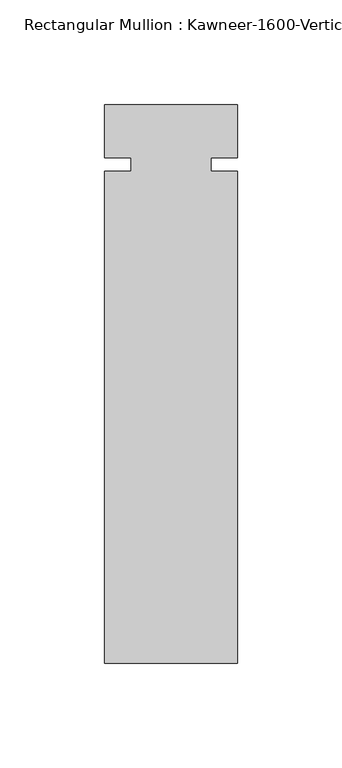
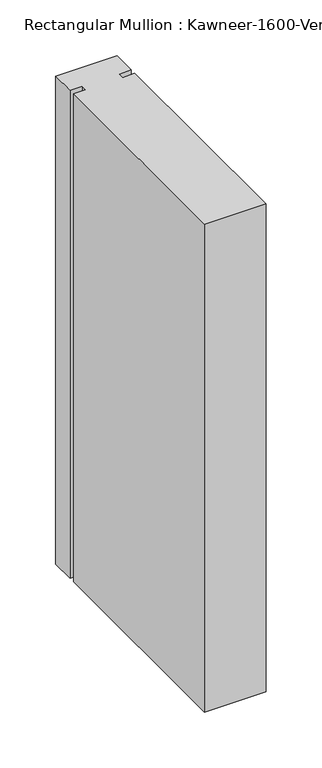
"""IFC4 building model written with IfcOpenShell, lengths in millimetres: member geometry."""

from ifc_helpers import new_model, si_unit, frame, origin, place, context, project, spatial, polyline, outline, extrude, source, transform, mapped, element, save


def member_c29e6f1d(model_context):
    return source(origin(), model_context, "Body", "SweptSolid", [
        extrude(outline(polyline([(31.75, -238.125), (-31.75, -238.125), (-31.75, -3.175), (-19.05, -3.175), (-19.05, 3.175), (-31.75, 3.175), (-31.75, 28.575), (31.75, 28.575), (31.75, 3.175), (19.05, 3.175), (19.05, -3.175), (31.75, -3.175), (31.75, -238.125)])), frame((0.0, 0.0, -533.4), z_axis=(0.0, 0.0, 1.0), x_axis=(1.0, 0.0, 0.0)), (0.0, 0.0, 1.0), 533.4),
    ])


if __name__ == "__main__":
    model = new_model("IFC4")
    model_context = context("Model", 3, world=origin())
    ifc_project = project(units=[si_unit("LENGTHUNIT", "METRE", prefix="MILLI")], contexts=[model_context])
    site = spatial("IfcSite", under=ifc_project)
    building = spatial("IfcBuilding", under=site)
    placement = place(None, origin())
    member_shape = member_c29e6f1d(model_context)
    element("IfcMember", 1, ObjectType="Rectangular Mullion : Kawneer-1600-Vertical_Interior-System1-10_1/2\"-1/4\"Infill", at=placement, inside=building, context=model_context, shape_type="MappedRepresentation", body=[
        mapped(member_shape, transform((0.0, 0.0, 0.0), x_axis=(1.0, 0.0, 0.0), y_axis=(0.0, 1.0, 0.0), z_axis=(0.0, 0.0, 1.0))),
    ])
    save(model, "model.ifc")
